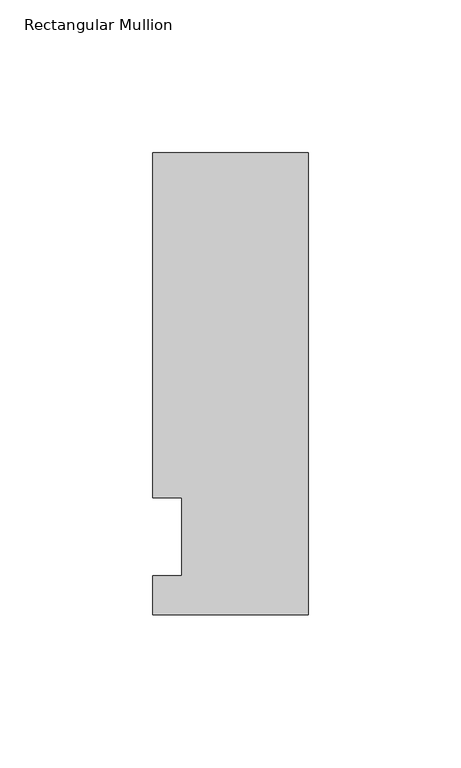
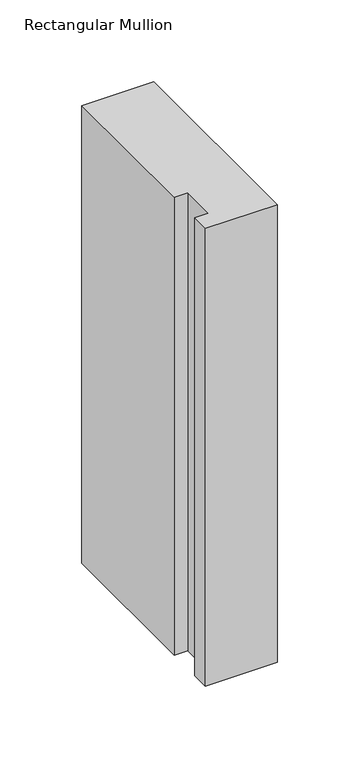
"""IFC4 building model written with IfcOpenShell, lengths in millimetres: member geometry, Rectangular Mullion."""

from ifc_helpers import new_model, si_unit, frame, origin, place, context, project, spatial, polyline, outline, extrude, source, transform, mapped, element, save


def rectangular_mullion_837920f4(model_context):
    return source(origin(), model_context, "Body", "SweptSolid", [
        extrude(outline(polyline([(-50.8, -25.5984375), (-50.8, -12.7), (-41.275, -12.7), (-41.275, 12.7), (-50.8, 12.7), (-50.8, 125.6109375), (0.0, 125.6109375), (0.0, -25.5984375), (-50.8, -25.5984375)])), frame((0.0, 0.0, -341.95385), z_axis=(0.0, 0.0, 1.0), x_axis=(1.0, 0.0, 0.0)), (0.0, 0.0, 1.0), 341.95385),
    ])


if __name__ == "__main__":
    model = new_model("IFC4")
    model_context = context("Model", 3, world=origin())
    ifc_project = project(units=[si_unit("LENGTHUNIT", "METRE", prefix="MILLI")], contexts=[model_context])
    site = spatial("IfcSite", under=ifc_project)
    building = spatial("IfcBuilding", under=site)
    placement = place(None, origin())
    rectangular_mullion_shape = rectangular_mullion_837920f4(model_context)
    element("IfcMember", 1, ObjectType="Rectangular Mullion", at=placement, inside=building, context=model_context, shape_type="MappedRepresentation", body=[
        mapped(rectangular_mullion_shape, transform((0.0, 0.0, 0.0), x_axis=(1.0, 0.0, 0.0), y_axis=(0.0, 1.0, 0.0), z_axis=(0.0, 0.0, 1.0))),
    ])
    save(model, "model.ifc")
